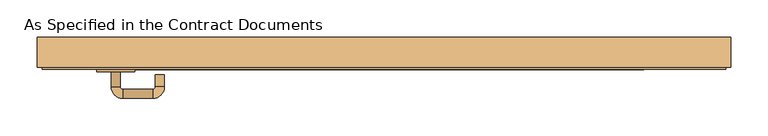
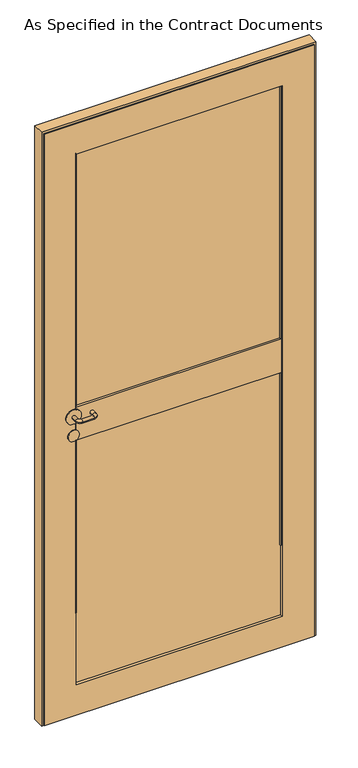
"""IFC4 building model written with IfcOpenShell, lengths in millimetres: door geometry, As Specified in the Contract Documents."""

from ifc_helpers import new_model, si_unit, point, frame, frame_2d, origin, place, context, project, spatial, polyline, circle_curve, ellipse_curve, trimmed, segment, composite_curve, outline, extrude, faceted_brep, source, transform, mapped, element, save
from ifc_brep_helpers import plane_surface, cylinder_surface, revolved_surface, advanced_brep


def as_specified_in_the_contract_documents_8fa83c8c(model_context):
    return source(origin(), model_context, "Body", "SolidModel", [
        advanced_brep(
        [(-384.33375, -38.8875, 1089.025), (-372.14175, -38.8875, 1089.025), (-372.14175, -58.6898551, 1089.025), (-384.33375, -58.6898551, 1089.025), (-368.71275, -62.1188551, 1089.025), (-368.71275, -74.3108551, 1089.025), (-328.7559462, -62.1188551, 1089.025), (-328.7559462, -74.3108551, 1089.025), (-325.3269462, -58.6898551, 1089.025), (-313.1349462, -58.6898551, 1089.025), (-313.1349462, -42.9521667, 1089.025), (-325.3269462, -42.9521667, 1089.025)],
        [
            (0, 1, circle_curve(frame((-378.23775, -38.8875, 1089.025), z_axis=(0.0, 1.0, 0.0), x_axis=(1.0, 0.0, 0.0)), 6.096)),
            (1, 0, circle_curve(frame((-378.23775, -38.8875, 1089.025), z_axis=(0.0, 1.0, 0.0), x_axis=(1.0, 0.0, 0.0)), 6.096)),
            (1, 2),
            (2, 3, circle_curve(frame((-378.23775, -58.6898551, 1089.025), z_axis=(0.0, 1.0, 0.0), x_axis=(1.0, 0.0, 0.0)), 6.096)),
            (3, 0),
            (3, 2, circle_curve(frame((-378.23775, -58.6898551, 1089.025), z_axis=(0.0, 1.0, 0.0), x_axis=(1.0, 0.0, 0.0)), 6.096)),
            (4, 5, circle_curve(frame((-368.71275, -68.2148551, 1089.025), z_axis=(-1.0, 0.0, 0.0), x_axis=(0.0, 1.0, 0.0)), 6.096)),
            (5, 3, circle_curve(frame((-368.71275, -58.6898551, 1089.025), z_axis=(0.0, 0.0, -1.0), x_axis=(-1.0, 0.0, 0.0)), 15.621)),
            (2, 4, circle_curve(frame((-368.71275, -58.6898551, 1089.025), z_axis=(0.0, 0.0, 1.0), x_axis=(-1.0, 0.0, 0.0)), 3.429)),
            (5, 4, circle_curve(frame((-368.71275, -68.2148551, 1089.025), z_axis=(-1.0, 0.0, 0.0), x_axis=(0.0, 1.0, 0.0)), 6.096)),
            (4, 6),
            (6, 7, circle_curve(frame((-328.7559462, -68.2148551, 1089.025), z_axis=(-1.0, 0.0, 0.0), x_axis=(0.0, 1.0, 0.0)), 6.096)),
            (7, 5),
            (7, 6, circle_curve(frame((-328.7559462, -68.2148551, 1089.025), z_axis=(-1.0, 0.0, 0.0), x_axis=(0.0, 1.0, 0.0)), 6.096)),
            (8, 9, circle_curve(frame((-319.2309462, -58.6898551, 1089.025), z_axis=(0.0, -1.0, 0.0), x_axis=(-1.0, 0.0, 0.0)), 6.096)),
            (9, 7, circle_curve(frame((-328.7559462, -58.6898551, 1089.025), z_axis=(0.0, 0.0, -1.0), x_axis=(0.0, -1.0, 0.0)), 15.621)),
            (6, 8, circle_curve(frame((-328.7559462, -58.6898551, 1089.025), z_axis=(0.0, 0.0, 1.0), x_axis=(0.0, -1.0, 0.0)), 3.429)),
            (9, 8, circle_curve(frame((-319.2309462, -58.6898551, 1089.025), z_axis=(0.0, -1.0, 0.0), x_axis=(-1.0, 0.0, 0.0)), 6.096)),
            (10, 11, circle_curve(frame((-319.2309462, -42.9521667, 1089.025), z_axis=(0.0, 1.0, 0.0), x_axis=(-1.0, 0.0, 0.0)), 6.096)),
            (11, 10, circle_curve(frame((-319.2309462, -42.9521667, 1089.025), z_axis=(0.0, 1.0, 0.0), x_axis=(-1.0, 0.0, 0.0)), 6.096)),
            (8, 11),
            (10, 9),
        ],
        [
            plane_surface(frame((-378.23775, -38.8875, 1089.025), z_axis=(0.0, 1.0, 0.0), x_axis=(0.0, 0.0, -1.0))),
            cylinder_surface(frame((-378.23775, -38.8875, 1089.025), z_axis=(0.0, 1.0, 0.0), x_axis=(1.0, 0.0, 0.0)), 6.096),
            revolved_surface(trimmed(ellipse_curve(frame((-378.23775, -58.6898551, 1089.025), z_axis=(0.0, -1.0, 0.0), x_axis=(1.0, 0.0, 0.0)), 6.096, 6.096), [point((-384.33375, -58.6898551, 1089.025))], [point((-372.14175, -58.6898551, 1089.025))], True, "CARTESIAN"), (-368.71275, -58.6898551, 1089.025), (0.0, 0.0, -1.0)),
            revolved_surface(trimmed(ellipse_curve(frame((-378.23775, -58.6898551, 1089.025), z_axis=(0.0, -1.0, 0.0), x_axis=(1.0, 0.0, 0.0)), 6.096, 6.096), [point((-372.14175, -58.6898551, 1089.025))], [point((-384.33375, -58.6898551, 1089.025))], True, "CARTESIAN"), (-368.71275, -58.6898551, 1089.025), (0.0, 0.0, -1.0)),
            cylinder_surface(frame((-368.71275, -68.2148551, 1089.025), z_axis=(-1.0, 0.0, 0.0), x_axis=(0.0, 1.0, 0.0)), 6.096),
            revolved_surface(trimmed(ellipse_curve(frame((-328.7559462, -68.2148551, 1089.025), z_axis=(1.0, 0.0, 0.0), x_axis=(0.0, 1.0, 0.0)), 6.096, 6.096), [point((-328.7559462, -74.3108551, 1089.025))], [point((-328.7559462, -62.1188551, 1089.025))], True, "CARTESIAN"), (-328.7559462, -58.6898551, 1089.025), (0.0, 0.0, -1.0)),
            revolved_surface(trimmed(ellipse_curve(frame((-328.7559462, -68.2148551, 1089.025), z_axis=(1.0, 0.0, 0.0), x_axis=(0.0, 1.0, 0.0)), 6.096, 6.096), [point((-328.7559462, -62.1188551, 1089.025))], [point((-328.7559462, -74.3108551, 1089.025))], True, "CARTESIAN"), (-328.7559462, -58.6898551, 1089.025), (0.0, 0.0, -1.0)),
            plane_surface(frame((-319.2309462, -42.9521667, 1089.025), z_axis=(0.0, 1.0, 0.0), x_axis=(0.0, 0.0, -1.0))),
            cylinder_surface(frame((-319.2309462, -58.6898551, 1089.025), z_axis=(0.0, -1.0, 0.0), x_axis=(-1.0, 0.0, 0.0)), 6.096),
        ],
        [
            (0, [[1, 2]]),
            (1, [[3, 4, 5, -2]]),
            (1, [[-5, 6, -3, -1]]),
            (2, [[7, 8, -4, 9]]),
            (3, [[10, -9, -6, -8]]),
            (4, [[11, 12, 13, -7]]),
            (4, [[-13, 14, -11, -10]]),
            (5, [[15, 16, -12, 17]]),
            (6, [[18, -17, -14, -16]]),
            (7, [[19, 20]]),
            (8, [[21, -19, 22, -15]]),
            (8, [[-22, -20, -21, -18]]),
        ],
    ),
        extrude(outline(composite_curve([segment(trimmed(circle_curve(frame_2d((1089.025, -378.23775)), 25.4), [point((1089.025, -352.83775))], [point((1089.025, -403.63775))], False, "CARTESIAN"), True, "CONTINUOUS"), segment(trimmed(circle_curve(frame_2d((1089.025, -378.23775)), 25.4), [point((1089.025, -403.63775))], [point((1089.025, -352.83775))], False, "CARTESIAN"), True, "CONTINUOUS")], self_intersect=False)), frame((0.0, -38.8875, 0.0), z_axis=(0.0, 1.0, 0.0), x_axis=(0.0, 0.0, 1.0)), (0.0, 0.0, 1.0), 6.35),
        extrude(outline(composite_curve([segment(trimmed(circle_curve(frame_2d((1021.6417023, -378.23775)), 19.05), [point((1021.6417023, -359.18775))], [point((1021.6417023, -397.28775))], False, "CARTESIAN"), True, "CONTINUOUS"), segment(trimmed(circle_curve(frame_2d((1021.6417023, -378.23775)), 19.05), [point((1021.6417023, -397.28775))], [point((1021.6417023, -359.18775))], False, "CARTESIAN"), True, "CONTINUOUS")], self_intersect=False)), frame((0.0, -38.8875, 0.0), z_axis=(0.0, 1.0, 0.0), x_axis=(0.0, 0.0, 1.0)), (0.0, 0.0, 1.0), 6.35),
        faceted_brep([(437.73725, -32.5375, 17.4625), (437.73725, 3.975, 17.4625), (418.68725, 3.975, 17.4625), (418.68725, 7.15, 17.4625), (444.08725, 7.15, 17.4625), (444.08725, -32.5375, 17.4625), (444.08725, -32.5375, 2139.95), (-483.01275, -32.5375, 2139.95), (-483.01275, -32.5375, 17.4625), (-476.66275, -32.5375, 17.4625), (-476.66275, -32.5375, 2133.6), (437.73725, -32.5375, 2133.6), (444.08725, 7.15, 2139.95), (418.68725, 7.15, 2114.55), (-457.61275, 7.15, 2114.55), (-457.61275, 7.15, 17.4625), (-483.01275, 7.15, 17.4625), (-483.01275, 7.15, 2139.95), (418.68725, 3.975, 2114.55), (437.73725, 3.975, 2133.6), (-476.66275, 3.975, 2133.6), (-476.66275, 3.975, 17.4625), (-457.61275, 3.975, 17.4625), (-457.61275, 3.975, 2114.55)], [[[0, 1, 2, 3, 4, 5]], [[5, 6, 7, 8, 9, 10, 11, 0]], [[4, 12, 6, 5]], [[3, 13, 14, 15, 16, 17, 12, 4]], [[2, 18, 13, 3]], [[1, 19, 20, 21, 22, 23, 18, 2]], [[0, 11, 19, 1]], [[12, 17, 7, 6]], [[18, 23, 14, 13]], [[11, 10, 20, 19]], [[9, 8, 16, 15, 22, 21]], [[17, 16, 8, 7]], [[23, 22, 15, 14]], [[10, 9, 21, 20]]]),
        extrude(outline(polyline([(328.1908866, 0.8), (328.1908866, -32.5375), (-367.1163866, -32.5375), (-367.1163866, 0.8), (328.1908866, 0.8)])), frame((0.0, 0.0, 998.4928349), z_axis=(0.0, 0.0, 1.0), x_axis=(1.0, 0.0, 0.0)), (0.0, 0.0, 1.0), 118.9790824),
        extrude(outline(polyline([(437.73725, -6.34375), (437.73725, -25.39375), (-476.66275, -25.39375), (-476.66275, -6.34375), (437.73725, -6.34375)])), frame((0.0, 0.0, 17.4625), z_axis=(0.0, 0.0, 1.0), x_axis=(1.0, 0.0, 0.0)), (0.0, 0.0, 1.0), 2116.1375),
        extrude(outline(polyline([(2133.6, -476.66275), (17.4625, -476.66275), (17.4625, 437.73725), (2133.6, 437.73725), (2133.6, -476.66275)]), holes=[polyline([(2024.0536366, -367.1163866), (2024.0536366, 328.1908866), (127.0088634, 328.1908866), (127.0088634, -367.1163866), (2024.0536366, -367.1163866)])]), frame((0.0, -35.7125, 0.0), z_axis=(0.0, 1.0, 0.0), x_axis=(0.0, 0.0, 1.0)), (0.0, 0.0, 1.0), 39.6875),
        advanced_brep(
        [(-367.1163866, -6.34375, 379.4213634), (-367.1163866, 0.8, 379.4213634), (-365.6880295, -1.2399053, 379.4213634), (-363.5492895, -6.34375, 379.4213634), (-363.5492895, -6.34375, 2020.4865395), (324.6237895, -6.34375, 2020.4865395), (324.6237895, -6.34375, 379.4213634), (328.1908866, -6.34375, 379.4213634), (328.1908866, -6.34375, 2024.0536366), (-367.1163866, -6.34375, 2024.0536366), (-365.6880295, -1.2399053, 2022.6252795), (-367.1163866, 0.8, 2024.0536366), (326.7625295, -1.2399053, 2022.6252795), (328.1908866, 0.8, 2024.0536366), (326.7625295, -1.2399053, 379.4213634), (328.1908866, 0.8, 379.4213634)],
        [
            (0, 1),
            (1, 2),
            (2, 3, circle_curve(frame((-368.772471, -5.5324611, 379.4213634), z_axis=(0.0, 0.0, -1.0), x_axis=(0.0, 1.0, 0.0)), 5.2858126)),
            (3, 0),
            (3, 4),
            (4, 5),
            (5, 6),
            (6, 7),
            (7, 8),
            (8, 9),
            (9, 0),
            (2, 10),
            (10, 4, ellipse_curve(frame((-368.772471, -5.5324611, 2025.709721), z_axis=(-0.7071067811865475, 0.0, -0.7071067811865475), x_axis=(0.7071067811865474, 0.0, -0.7071067811865476)), 7.4752678, 5.2858126)),
            (1, 11),
            (11, 10),
            (9, 11),
            (10, 12),
            (12, 5, ellipse_curve(frame((329.846971, -5.5324611, 2025.709721), z_axis=(-0.7071067811865475, 0.0, 0.7071067811865475), x_axis=(-0.7071067811865476, 0.0, -0.7071067811865474)), 7.4752678, 5.2858126)),
            (11, 13),
            (13, 12),
            (8, 13),
            (6, 14, circle_curve(frame((329.846971, -5.5324611, 379.4213634), z_axis=(0.0, 0.0, -1.0), x_axis=(0.0, 1.0, 0.0)), 5.2858126)),
            (14, 15),
            (15, 7),
            (12, 14),
            (13, 15),
        ],
        [
            plane_surface(frame((-367.1163866, 3.975, 379.4213634), z_axis=(0.0, 0.0, -1.0), x_axis=(1.0, 0.0, 0.0))),
            plane_surface(frame((-367.1163866, -6.34375, 379.4213634), z_axis=(0.0, -1.0, 0.0), x_axis=(0.0, 0.0, 1.0))),
            cylinder_surface(frame((-368.772471, -5.5324611, 379.4213634), z_axis=(0.0, 0.0, -1.0), x_axis=(0.0, 1.0, 0.0)), 5.2858126),
            plane_surface(frame((-365.6880295, -1.2399053, 379.4213634), z_axis=(0.8191520442889904, 0.5735764363510482, 0.0), x_axis=(0.0, 0.0, 1.0))),
            plane_surface(frame((-367.1163866, 0.8, 379.4213634), z_axis=(-1.0, 0.0, 0.0), x_axis=(0.0, 0.0, 1.0))),
            cylinder_surface(frame((-367.1163866, -5.5324611, 2025.709721), z_axis=(-1.0, 0.0, 0.0), x_axis=(0.0, 1.0, 0.0)), 5.2858126),
            plane_surface(frame((-365.6880295, -1.2399053, 2022.6252795), z_axis=(0.0, 0.5735764363510482, -0.8191520442889904), x_axis=(1.0, 0.0, 0.0))),
            plane_surface(frame((-367.1163866, 0.8, 2024.0536366), z_axis=(0.0, 0.0, 1.0), x_axis=(1.0, 0.0, 0.0))),
            plane_surface(frame((328.1908866, 3.975, 379.4213634), z_axis=(0.0, 0.0, -1.0), x_axis=(-1.0, 0.0, 0.0))),
            cylinder_surface(frame((329.846971, -5.5324611, 2024.0536366), z_axis=(0.0, 0.0, 1.0), x_axis=(0.0, 1.0, 0.0)), 5.2858126),
            plane_surface(frame((326.7625295, -1.2399053, 2022.6252795), z_axis=(-0.8191520442889904, 0.5735764363510482, 0.0), x_axis=(0.0, 0.0, -1.0))),
            plane_surface(frame((328.1908866, 0.8, 2024.0536366), z_axis=(1.0, 0.0, 0.0), x_axis=(0.0, 0.0, -1.0))),
        ],
        [
            (0, [[1, 2, 3, 4]]),
            (1, [[5, 6, 7, 8, 9, 10, 11, -4]]),
            (2, [[12, 13, -5, -3]]),
            (3, [[14, 15, -12, -2]]),
            (4, [[-11, 16, -14, -1]]),
            (5, [[17, 18, -6, -13]]),
            (6, [[19, 20, -17, -15]]),
            (7, [[-10, 21, -19, -16]]),
            (8, [[-8, 22, 23, 24]]),
            (9, [[25, -22, -7, -18]]),
            (10, [[26, -23, -25, -20]]),
            (11, [[-9, -24, -26, -21]]),
        ],
    ),
        advanced_brep(
        [(328.1908866, -25.39375, 379.4213634), (328.1908866, -32.5375, 379.4213634), (326.7625295, -30.4975947, 379.4213634), (324.6237895, -25.39375, 379.4213634), (324.6237895, -25.39375, 2020.4865395), (-363.5492895, -25.39375, 2020.4865395), (-363.5492895, -25.39375, 379.4213634), (-367.1163866, -25.39375, 379.4213634), (-367.1163866, -25.39375, 2024.0536366), (328.1908866, -25.39375, 2024.0536366), (326.7625295, -30.4975947, 2022.6252795), (328.1908866, -32.5375, 2024.0536366), (-365.6880295, -30.4975947, 2022.6252795), (-367.1163866, -32.5375, 2024.0536366), (-365.6880295, -30.4975947, 379.4213634), (-367.1163866, -32.5375, 379.4213634)],
        [
            (0, 1),
            (1, 2),
            (2, 3, circle_curve(frame((329.846971, -26.2050389, 379.4213634), z_axis=(0.0, 0.0, -1.0), x_axis=(0.0, -1.0, 0.0)), 5.2858126)),
            (3, 0),
            (3, 4),
            (4, 5),
            (5, 6),
            (6, 7),
            (7, 8),
            (8, 9),
            (9, 0),
            (2, 10),
            (10, 4, ellipse_curve(frame((329.846971, -26.2050389, 2025.709721), z_axis=(0.7071067811865475, 0.0, -0.7071067811865475), x_axis=(-0.7071067811865474, 0.0, -0.7071067811865476)), 7.4752678, 5.2858126)),
            (1, 11),
            (11, 10),
            (9, 11),
            (10, 12),
            (12, 5, ellipse_curve(frame((-368.772471, -26.2050389, 2025.709721), z_axis=(0.7071067811865475, 0.0, 0.7071067811865475), x_axis=(0.7071067811865476, 0.0, -0.7071067811865474)), 7.4752678, 5.2858126)),
            (11, 13),
            (13, 12),
            (8, 13),
            (6, 14, circle_curve(frame((-368.772471, -26.2050389, 379.4213634), z_axis=(0.0, 0.0, -1.0), x_axis=(0.0, -1.0, 0.0)), 5.2858126)),
            (14, 15),
            (15, 7),
            (12, 14),
            (13, 15),
        ],
        [
            plane_surface(frame((328.1908866, -35.7125, 379.4213634), z_axis=(0.0, 0.0, -1.0), x_axis=(-1.0, 0.0, 0.0))),
            plane_surface(frame((328.1908866, -25.39375, 379.4213634), z_axis=(0.0, 1.0, 0.0), x_axis=(0.0, 0.0, 1.0))),
            cylinder_surface(frame((329.846971, -26.2050389, 379.4213634), z_axis=(0.0, 0.0, -1.0), x_axis=(0.0, -1.0, 0.0)), 5.2858126),
            plane_surface(frame((326.7625295, -30.4975947, 379.4213634), z_axis=(-0.8191520442889904, -0.5735764363510482, 0.0), x_axis=(0.0, 0.0, 1.0))),
            plane_surface(frame((328.1908866, -32.5375, 379.4213634), z_axis=(1.0, 0.0, 0.0), x_axis=(0.0, 0.0, 1.0))),
            cylinder_surface(frame((328.1908866, -26.2050389, 2025.709721), z_axis=(1.0, 0.0, 0.0), x_axis=(0.0, -1.0, 0.0)), 5.2858126),
            plane_surface(frame((326.7625295, -30.4975947, 2022.6252795), z_axis=(0.0, -0.5735764363510482, -0.8191520442889904), x_axis=(-1.0, 0.0, 0.0))),
            plane_surface(frame((328.1908866, -32.5375, 2024.0536366), z_axis=(0.0, 0.0, 1.0), x_axis=(-1.0, 0.0, 0.0))),
            plane_surface(frame((-367.1163866, -35.7125, 379.4213634), z_axis=(0.0, 0.0, -1.0), x_axis=(1.0, 0.0, 0.0))),
            cylinder_surface(frame((-368.772471, -26.2050389, 2024.0536366), z_axis=(0.0, 0.0, 1.0), x_axis=(0.0, -1.0, 0.0)), 5.2858126),
            plane_surface(frame((-365.6880295, -30.4975947, 2022.6252795), z_axis=(0.8191520442889904, -0.5735764363510482, 0.0), x_axis=(0.0, 0.0, -1.0))),
            plane_surface(frame((-367.1163866, -32.5375, 2024.0536366), z_axis=(-1.0, 0.0, 0.0), x_axis=(0.0, 0.0, -1.0))),
        ],
        [
            (0, [[1, 2, 3, 4]]),
            (1, [[5, 6, 7, 8, 9, 10, 11, -4]]),
            (2, [[12, 13, -5, -3]]),
            (3, [[14, 15, -12, -2]]),
            (4, [[-11, 16, -14, -1]]),
            (5, [[17, 18, -6, -13]]),
            (6, [[19, 20, -17, -15]]),
            (7, [[-10, 21, -19, -16]]),
            (8, [[-8, 22, 23, 24]]),
            (9, [[25, -22, -7, -18]]),
            (10, [[26, -23, -25, -20]]),
            (11, [[-9, -24, -26, -21]]),
        ],
    ),
    ])


if __name__ == "__main__":
    model = new_model("IFC4")
    model_context = context("Model", 3, world=origin())
    ifc_project = project(units=[si_unit("LENGTHUNIT", "METRE", prefix="MILLI")], contexts=[model_context])
    site = spatial("IfcSite", under=ifc_project)
    building = spatial("IfcBuilding", under=site)
    placement = place(None, origin())
    as_specified_in_the_contract_documents_shape = as_specified_in_the_contract_documents_8fa83c8c(model_context)
    element("IfcDoor", 1, ObjectType="As Specified in the Contract Documents", at=placement, inside=building, context=model_context, shape_type="MappedRepresentation", body=[
        mapped(as_specified_in_the_contract_documents_shape, transform((0.0, 0.0, 0.0), x_axis=(1.0, 0.0, 0.0), y_axis=(0.0, 1.0, 0.0), z_axis=(0.0, 0.0, 1.0))),
    ])
    save(model, "model.ifc")
